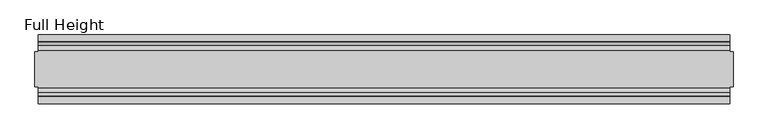
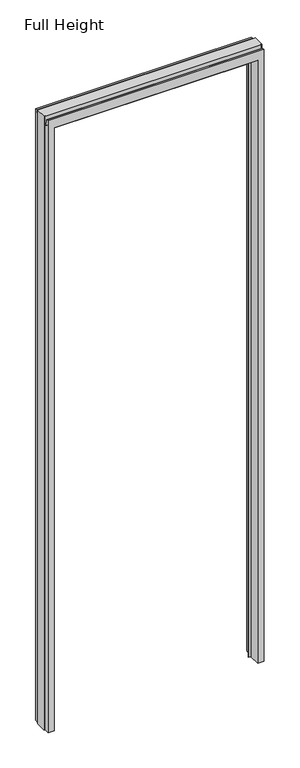
"""IFC4 building model written with IfcOpenShell, lengths in millimetres: plate geometry, Full Height."""

from ifc_helpers import new_model, si_unit, frame, origin, place, context, project, spatial, polyline, circle_curve, source, transform, mapped, element, save
from ifc_brep_helpers import plane_surface, cylinder_surface, revolved_surface, advanced_brep


def full_height_1e16338c(model_context):
    return source(origin(), model_context, "Body", "AdvancedBrep", [
        advanced_brep(
        [(-503.428, 50.0, 0.0), (-481.33, 50.0, 0.0), (-475.361, 6.1006519, 0.0), (-462.661, 6.1006519, 0.0), (-462.661, 4.8306519, 0.0), (-475.361, 4.8306519, 0.0), (-475.361, -50.0, 0.0), (-503.428, -50.0, 0.0), (-503.428, -25.146, 0.0), (-508.0, -25.146, 0.0), (-508.0, 25.146, 0.0), (-503.428, 25.146, 0.0), (503.428, -50.0, 0.0), (475.361, -50.0, 0.0), (475.361, 4.8306519, 0.0), (462.661, 4.8306519, 0.0), (462.661, 6.1006519, 0.0), (475.361, 6.1006519, 0.0), (481.33, 50.0, 0.0), (503.428, 50.0, 0.0), (503.428, 25.146, 0.0), (508.0, 25.146, 0.0), (508.0, -25.146, 0.0), (503.428, -25.146, 0.0), (508.0, 25.146, 3025.14), (503.428, 25.146, 3025.14), (503.428, 26.67, 3025.14), (-503.428, 26.67, 3025.14), (-503.428, 25.146, 3025.14), (-508.0, 25.146, 3025.14), (-508.0, -25.146, 3025.14), (-503.428, -25.146, 3025.14), (-503.428, -26.67, 3025.14), (503.428, -26.67, 3025.14), (503.428, -25.146, 3025.14), (508.0, -25.146, 3025.14), (-503.428, -50.0, 3015.996), (-503.428, -39.9371387, 3015.996), (-503.428, -39.1867152, 3015.3663199), (-503.428, -34.2321175, 2987.2674004), (-503.428, -26.67, 2987.929), (-503.428, 26.67, 2987.929), (-503.428, 34.2321175, 2987.2674004), (-503.428, 39.1867152, 3015.3663199), (-503.428, 39.9371387, 3015.996), (-503.428, 50.0, 3015.996), (-475.361, -50.0, 2971.419), (475.361, -50.0, 2971.419), (503.428, -50.0, 3015.996), (503.428, 50.0, 3015.996), (481.33, 50.0, 2971.419), (-481.33, 50.0, 2971.419), (503.428, 39.9371387, 3015.996), (503.428, 39.1867152, 3015.3663199), (503.428, 34.2321175, 2987.2674004), (503.428, 26.67, 2987.929), (503.428, -26.67, 2987.929), (503.428, -34.2321175, 2987.2674004), (503.428, -39.1867152, 3015.3663199), (503.428, -39.9371387, 3015.996), (-475.361, 4.8306519, 2971.419), (475.361, 4.8306519, 2971.419), (-462.661, 4.8306519, 2927.35), (462.661, 4.8306519, 2927.35), (-462.661, 6.1006519, 2927.35), (-475.361, 6.1006519, 2965.45), (475.361, 6.1006519, 2965.45), (462.661, 6.1006519, 2927.35)],
        [
            (0, 1),
            (1, 2),
            (2, 3),
            (3, 4),
            (4, 5),
            (5, 6),
            (6, 7),
            (7, 8),
            (8, 9),
            (9, 10),
            (10, 11),
            (11, 0),
            (12, 13),
            (13, 14),
            (14, 15),
            (15, 16),
            (16, 17),
            (17, 18),
            (18, 19),
            (19, 20),
            (20, 21),
            (21, 22),
            (22, 23),
            (23, 12),
            (24, 25),
            (25, 26),
            (26, 27),
            (27, 28),
            (28, 29),
            (29, 30),
            (30, 31),
            (31, 32),
            (32, 33),
            (33, 34),
            (34, 35),
            (35, 24),
            (20, 25),
            (24, 21),
            (34, 23),
            (22, 35),
            (29, 10),
            (9, 30),
            (8, 31),
            (28, 11),
            (7, 36),
            (36, 37),
            (37, 38, circle_curve(frame((-503.428, -39.9371387, 3015.234), z_axis=(-1.0, 0.0, 0.0), x_axis=(0.0, -1.0, 0.0)), 0.762)),
            (38, 39),
            (39, 40, circle_curve(frame((-503.428, -30.48, 2987.929), z_axis=(1.0, 0.0, 0.0), x_axis=(0.0, -1.0, 0.0)), 3.81)),
            (40, 32),
            (27, 41),
            (41, 42, circle_curve(frame((-503.428, 30.48, 2987.929), z_axis=(1.0, 0.0, 0.0), x_axis=(0.0, -1.0, 0.0)), 3.81)),
            (42, 43),
            (43, 44, circle_curve(frame((-503.428, 39.9371387, 3015.234), z_axis=(-1.0, 0.0, 0.0), x_axis=(0.0, -1.0, 0.0)), 0.762)),
            (44, 45),
            (45, 0),
            (6, 46),
            (46, 47),
            (47, 13),
            (12, 48),
            (48, 36),
            (45, 49),
            (49, 19),
            (18, 50),
            (50, 51),
            (51, 1),
            (49, 52),
            (52, 53, circle_curve(frame((503.428, 39.9371387, 3015.234), z_axis=(1.0, 0.0, 0.0), x_axis=(0.0, -1.0, 0.0)), 0.762)),
            (53, 54),
            (54, 55, circle_curve(frame((503.428, 30.48, 2987.929), z_axis=(-1.0, 0.0, 0.0), x_axis=(0.0, -1.0, 0.0)), 3.81)),
            (55, 26),
            (33, 56),
            (56, 57, circle_curve(frame((503.428, -30.48, 2987.929), z_axis=(-1.0, 0.0, 0.0), x_axis=(0.0, -1.0, 0.0)), 3.81)),
            (57, 58),
            (58, 59, circle_curve(frame((503.428, -39.9371387, 3015.234), z_axis=(1.0, 0.0, 0.0), x_axis=(0.0, -1.0, 0.0)), 0.762)),
            (59, 48),
            (5, 60),
            (60, 46),
            (61, 14),
            (47, 61),
            (4, 62),
            (62, 63),
            (63, 15),
            (61, 60),
            (3, 64),
            (64, 62),
            (2, 65),
            (65, 66),
            (66, 17),
            (16, 67),
            (67, 64),
            (51, 65),
            (66, 50),
            (63, 67),
            (55, 41),
            (54, 42),
            (53, 43),
            (52, 44),
            (59, 37),
            (58, 38),
            (57, 39),
            (56, 40),
        ],
        [
            plane_surface(frame((-503.428, -50.0, 0.0), z_axis=(0.0, 0.0, -1.0), x_axis=(0.0, 1.0, 0.0))),
            plane_surface(frame((503.428, 25.146, 3025.14), z_axis=(0.0, 0.0, 1.0), x_axis=(-1.0, 0.0, 0.0))),
            plane_surface(frame((508.0, 25.146, 3025.14), z_axis=(0.0, 1.0, 0.0), x_axis=(0.0, 0.0, -1.0))),
            plane_surface(frame((503.428, -25.146, 3025.14), z_axis=(0.0, -1.0, 0.0), x_axis=(0.0, 0.0, -1.0))),
            plane_surface(frame((508.0, -25.146, 3025.14), z_axis=(1.0, 0.0, 0.0), x_axis=(0.0, 0.0, -1.0))),
            plane_surface(frame((-508.0, 25.146, 3025.14), z_axis=(-1.0, 0.0, 0.0), x_axis=(0.0, 0.0, -1.0))),
            plane_surface(frame((-508.0, -25.146, 3025.14), z_axis=(0.0, -1.0, 0.0), x_axis=(0.0, 0.0, -1.0))),
            plane_surface(frame((-503.428, 25.146, 3025.14), z_axis=(0.0, 1.0, 0.0), x_axis=(0.0, 0.0, -1.0))),
            plane_surface(frame((-503.428, 50.0, 2983.2046), z_axis=(-1.0, 0.0, 0.0), x_axis=(0.0, 0.0, -1.0))),
            plane_surface(frame((-503.428, -50.0, 2983.2046), z_axis=(0.0, -1.0, 0.0), x_axis=(0.0, 0.0, -1.0))),
            plane_surface(frame((-481.33, 50.0, 2983.2046), z_axis=(0.0, 1.0, 0.0), x_axis=(0.0, 0.0, -1.0))),
            plane_surface(frame((503.428, -50.0, 2983.2046), z_axis=(1.0, 0.0, 0.0), x_axis=(0.0, 0.0, -1.0))),
            plane_surface(frame((-475.361, -50.0, 2983.2046), z_axis=(1.0, 0.0, 0.0), x_axis=(0.0, 0.0, -1.0))),
            plane_surface(frame((475.361, 4.8306519, 2983.2046), z_axis=(-1.0, 0.0, 0.0), x_axis=(0.0, 0.0, -1.0))),
            plane_surface(frame((-475.361, 4.8306519, 2983.2046), z_axis=(0.0, -1.0, 0.0), x_axis=(0.0, 0.0, -1.0))),
            plane_surface(frame((-462.661, 4.8306519, 2983.2046), z_axis=(1.0, 0.0, 0.0), x_axis=(0.0, 0.0, -1.0))),
            plane_surface(frame((-462.661, 6.1006519, 2983.2046), z_axis=(0.0, 1.0, 0.0), x_axis=(0.0, 0.0, -1.0))),
            plane_surface(frame((-475.361, 6.1006519, 2983.2046), z_axis=(0.9908822943533605, 0.13473039277394036, 0.0), x_axis=(0.0, 0.0, -1.0))),
            plane_surface(frame((481.33, 50.0, 2983.2046), z_axis=(-0.990882294353361, 0.13473039277393736, 0.0), x_axis=(0.0, 0.0, -1.0))),
            plane_surface(frame((462.661, 6.1006519, 2983.2046), z_axis=(-1.0, 0.0, 0.0), x_axis=(0.0, 0.0, -1.0))),
            plane_surface(frame((-503.428, 26.67, 3025.14), z_axis=(0.0, 1.0, 0.0), x_axis=(1.0, 0.0, 0.0))),
            revolved_surface(polyline([(503.428, 26.67, 2987.929), (-503.428, 26.67, 2987.929)]), (503.428, 30.48, 2987.929), (1.0, 0.0, 0.0)),
            plane_surface(frame((-503.428, 34.2321175, 2987.2674004), z_axis=(0.0, -0.9848077530121587, 0.1736481776672104), x_axis=(1.0, 0.0, 0.0))),
            cylinder_surface(frame((503.428, 39.9371387, 3015.234), z_axis=(-1.0, 0.0, 0.0), x_axis=(0.0, -1.0, 0.0)), 0.762),
            plane_surface(frame((-503.428, 39.9371387, 3015.996), z_axis=(0.0, 0.0, 1.0), x_axis=(1.0, 0.0, 0.0))),
            plane_surface(frame((-503.428, 4.8306519, 2971.419), z_axis=(0.0, 0.0, -1.0), x_axis=(1.0, 0.0, 0.0))),
            plane_surface(frame((-503.428, -50.0, 3015.996), z_axis=(0.0, 0.0, 1.0), x_axis=(1.0, 0.0, 0.0))),
            cylinder_surface(frame((503.428, -39.9371387, 3015.234), z_axis=(-1.0, 0.0, 0.0), x_axis=(0.0, -1.0, 0.0)), 0.762),
            plane_surface(frame((-503.428, -39.1867152, 3015.3663199), z_axis=(0.0, 0.9848077530121685, 0.17364817766715493), x_axis=(1.0, 0.0, 0.0))),
            revolved_surface(polyline([(503.428, -34.29, 2987.929), (-503.428, -34.29, 2987.929)]), (503.428, -30.48, 2987.929), (1.0, 0.0, 0.0)),
            plane_surface(frame((-503.428, -26.67, 2987.929), z_axis=(0.0, -1.0, 0.0), x_axis=(1.0, 0.0, 0.0))),
            plane_surface(frame((-503.428, 50.0, 2971.419), z_axis=(0.0, 0.13473039277391335, -0.9908822943533642), x_axis=(1.0, 0.0, 0.0))),
            plane_surface(frame((-503.428, 6.1006519, 2927.35), z_axis=(0.0, 0.0, -1.0), x_axis=(1.0, 0.0, 0.0))),
        ],
        [
            (0, [[1, 2, 3, 4, 5, 6, 7, 8, 9, 10, 11, 12]]),
            (0, [[13, 14, 15, 16, 17, 18, 19, 20, 21, 22, 23, 24]]),
            (1, [[25, 26, 27, 28, 29, 30, 31, 32, 33, 34, 35, 36]]),
            (2, [[37, -25, 38, -21]]),
            (3, [[-35, 39, -23, 40]]),
            (4, [[-36, -40, -22, -38]]),
            (5, [[-30, 41, -10, 42]]),
            (6, [[43, -31, -42, -9]]),
            (7, [[-29, 44, -11, -41]]),
            (8, [[-8, 45, 46, 47, 48, 49, 50, -32, -43]]),
            (8, [[-12, -44, -28, 51, 52, 53, 54, 55, 56]]),
            (9, [[-45, -7, 57, 58, 59, -13, 60, 61]]),
            (10, [[-1, -56, 62, 63, -19, 64, 65, 66]]),
            (11, [[-20, -63, 67, 68, 69, 70, 71, -26, -37]]),
            (11, [[-60, -24, -39, -34, 72, 73, 74, 75, 76]]),
            (12, [[-6, 77, 78, -57]]),
            (13, [[79, -14, -59, 80]]),
            (14, [[-5, 81, 82, 83, -15, -79, 84, -77]]),
            (15, [[-4, 85, 86, -81]]),
            (16, [[-3, 87, 88, 89, -17, 90, 91, -85]]),
            (17, [[-87, -2, -66, 92]]),
            (18, [[-18, -89, 93, -64]]),
            (19, [[-16, -83, 94, -90]]),
            (20, [[-51, -27, -71, 95]]),
            (21, [[-52, -95, -70, 96]]),
            (22, [[-53, -96, -69, 97]]),
            (23, [[-54, -97, -68, 98]]),
            (24, [[-55, -98, -67, -62]]),
            (25, [[-58, -78, -84, -80]]),
            (26, [[-46, -61, -76, 99]]),
            (27, [[-47, -99, -75, 100]]),
            (28, [[-48, -100, -74, 101]]),
            (29, [[-49, -101, -73, 102]]),
            (30, [[-50, -102, -72, -33]]),
            (31, [[-65, -93, -88, -92]]),
            (32, [[-91, -94, -82, -86]]),
        ],
    ),
    ])


if __name__ == "__main__":
    model = new_model("IFC4")
    model_context = context("Model", 3, world=origin())
    ifc_project = project(units=[si_unit("LENGTHUNIT", "METRE", prefix="MILLI")], contexts=[model_context])
    site = spatial("IfcSite", under=ifc_project)
    building = spatial("IfcBuilding", under=site)
    placement = place(None, origin())
    full_height_shape = full_height_1e16338c(model_context)
    element("IfcPlate", 1, ObjectType="Full Height", at=placement, inside=building, context=model_context, shape_type="MappedRepresentation", body=[
        mapped(full_height_shape, transform((0.0, 0.0, 0.0), x_axis=(1.0, 0.0, 0.0), y_axis=(0.0, 1.0, 0.0), z_axis=(0.0, 0.0, 1.0))),
    ])
    save(model, "model.ifc")
